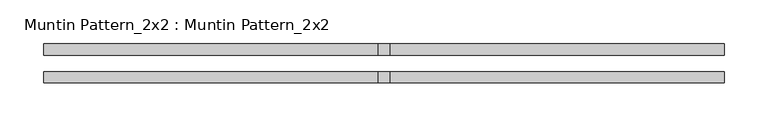
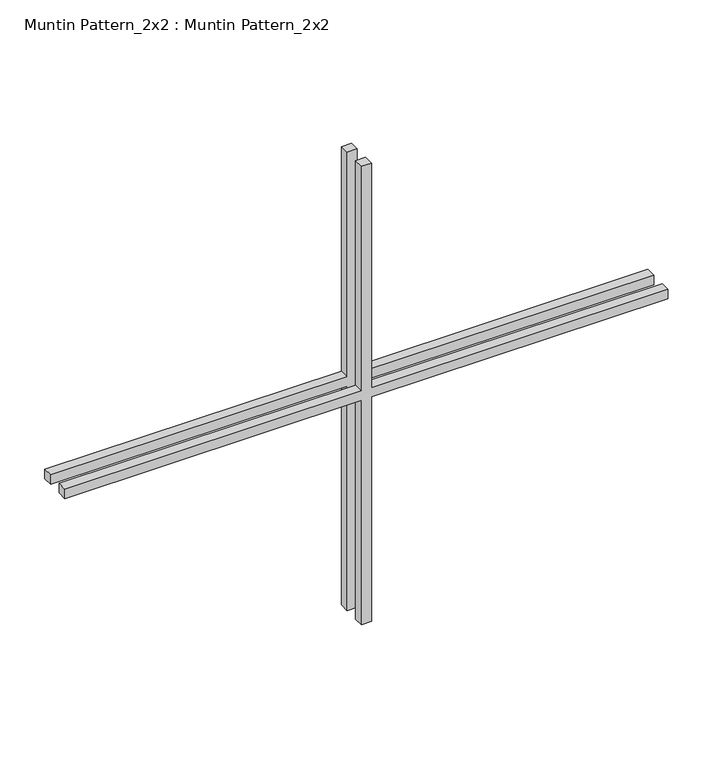
"""IFC4 building model written with IfcOpenShell, lengths in millimetres: proxy geometry, Muntin Pattern_2x2 : Muntin Pattern_2x2."""

from ifc_helpers import new_model, si_unit, frame, origin, place, context, project, spatial, polyline, outline, extrude, source, transform, mapped, element, save


def muntin_pattern_2x2_muntin_pattern_2x2_d8c80467(model_context):
    return source(origin(), model_context, "Body", "SweptSolid", [
        extrude(outline(polyline([(317.5, -6.35), (317.5, -387.35), (304.8, -387.35), (304.8, -6.35), (0.0, -6.35), (0.0, 6.35), (304.8, 6.35), (304.8, 387.35), (317.5, 387.35), (317.5, 6.35), (622.3, 6.35), (622.3, -6.35), (317.5, -6.35)])), frame((0.0, 9.525, 0.0), z_axis=(0.0, 1.0, 0.0), x_axis=(0.0, 0.0, 1.0)), (0.0, 0.0, 1.0), 12.7),
        extrude(outline(polyline([(317.5, -6.35), (317.5, -387.35), (304.8, -387.35), (304.8, -6.35), (0.0, -6.35), (0.0, 6.35), (304.8, 6.35), (304.8, 387.35), (317.5, 387.35), (317.5, 6.35), (622.3, 6.35), (622.3, -6.35), (317.5, -6.35)])), frame((0.0, -22.225, 0.0), z_axis=(0.0, 1.0, 0.0), x_axis=(0.0, 0.0, 1.0)), (0.0, 0.0, 1.0), 12.7),
    ])


if __name__ == "__main__":
    model = new_model("IFC4")
    model_context = context("Model", 3, world=origin())
    ifc_project = project(units=[si_unit("LENGTHUNIT", "METRE", prefix="MILLI")], contexts=[model_context])
    site = spatial("IfcSite", under=ifc_project)
    building = spatial("IfcBuilding", under=site)
    placement = place(None, origin())
    muntin_pattern_2x2_muntin_pattern_2x2_shape = muntin_pattern_2x2_muntin_pattern_2x2_d8c80467(model_context)
    element("IfcBuildingElementProxy", 1, Name="Muntin Pattern_2x2 : Muntin Pattern_2x2", ObjectType="Muntin Pattern_2x2 : Muntin Pattern_2x2", at=placement, inside=building, context=model_context, shape_type="MappedRepresentation", body=[
        mapped(muntin_pattern_2x2_muntin_pattern_2x2_shape, transform((0.0, 0.0, 0.0), x_axis=(1.0, 0.0, 0.0), y_axis=(0.0, 1.0, 0.0), z_axis=(0.0, 0.0, 1.0))),
    ])
    save(model, "model.ifc")
